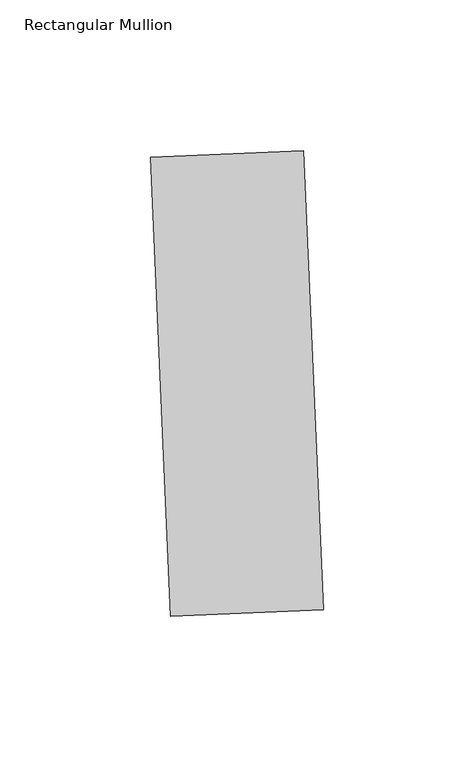
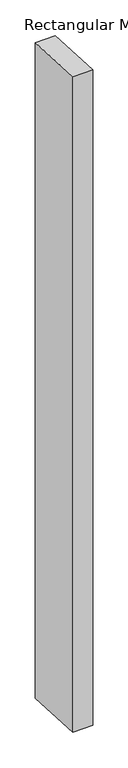
"""IFC4 building model written with IfcOpenShell, lengths in millimetres: member geometry, Rectangular Mullion."""

from ifc_helpers import new_model, si_unit, frame, origin, place, context, project, spatial, polyline, outline, extrude, source, transform, mapped, element, save


def rectangular_mullion_67c366a6(model_context):
    return source(origin(), model_context, "Body", "SweptSolid", [
        extrude(outline(polyline([(30.7769955, -113.0742136), (-19.9746542, -115.2900785), (-26.6222488, 36.9648705), (24.1294008, 39.1807354), (30.7769955, -113.0742136)])), frame((0.0, 0.0, -1746.25), z_axis=(0.0, 0.0, 1.0), x_axis=(1.0, 0.0, 0.0)), (0.0, 0.0, 1.0), 1746.25),
    ])


if __name__ == "__main__":
    model = new_model("IFC4")
    model_context = context("Model", 3, world=origin())
    ifc_project = project(units=[si_unit("LENGTHUNIT", "METRE", prefix="MILLI")], contexts=[model_context])
    site = spatial("IfcSite", under=ifc_project)
    building = spatial("IfcBuilding", under=site)
    placement = place(None, origin())
    rectangular_mullion_shape = rectangular_mullion_67c366a6(model_context)
    element("IfcMember", 1, ObjectType="Rectangular Mullion", at=placement, inside=building, context=model_context, shape_type="MappedRepresentation", body=[
        mapped(rectangular_mullion_shape, transform((0.0, 0.0, 0.0), x_axis=(1.0, 0.0, 0.0), y_axis=(0.0, 1.0, 0.0), z_axis=(0.0, 0.0, 1.0))),
    ])
    save(model, "model.ifc")
